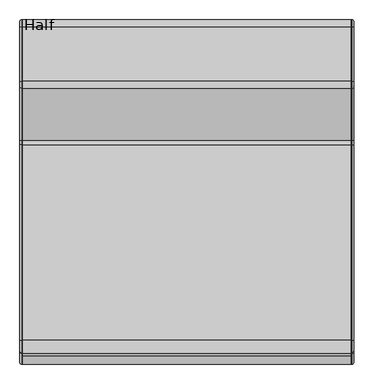
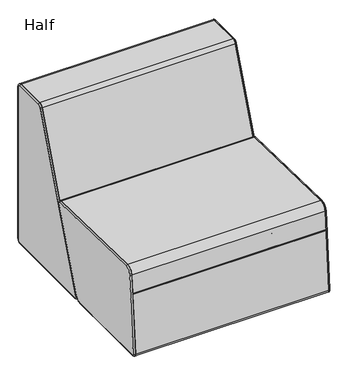
"""IFC4 building model written with IfcOpenShell, lengths in millimetres: furniture geometry, Half."""

from ifc_helpers import new_model, si_unit, point, frame, frame_2d, origin, place, context, project, spatial, polyline, circle_curve, ellipse_curve, trimmed, segment, composite_curve, outline, extrude, source, transform, mapped, element, save
from ifc_brep_helpers import plane_surface, cylinder_surface, revolved_surface, advanced_brep


def half_a15d352a(model_context):
    return source(origin(), model_context, "Body", "SolidModel", [
        advanced_brep(
        [(839.1510266, -314.9526545, 414.2158586), (839.1510266, -304.5197385, 398.7021703), (837.9447146, -304.5197385, 398.7021703), (837.9447146, -314.9526545, 414.2158586), (844.2947146, -315.0614252, 409.0733208), (844.2947146, -309.3234931, 400.5410474), (837.9447146, -809.5215301, 424.6765705), (839.1510266, -809.5215301, 424.6765705), (844.2947146, -809.6303008, 419.5340326), (837.9447146, -841.8415436, 395.4689681), (839.1510266, -841.8415436, 395.4689681), (844.2947146, -836.7142807, 395.0582348), (837.9447146, -869.3709462, 51.8141192), (839.1510266, -869.3709462, 51.8141192), (844.2947146, -864.2436833, 51.4033859), (837.9447146, -856.7115006, 38.1), (839.1510266, -856.7115006, 38.1), (844.2947146, -856.7115006, 43.2436881), (837.9447146, -464.4011038, 38.1), (839.1510266, -464.4011038, 38.1), (844.2947146, -464.4011038, 43.2436881), (837.9447146, -434.7493822, 58.4993215), (839.1510266, -434.7493822, 58.4993215), (844.2947146, -439.5531367, 60.3381987)],
        [
            (0, 1, circle_curve(frame((839.1510266, -315.1943583, 402.7884145), z_axis=(-1.0, 0.0, 0.0), x_axis=(0.0, 0.933912493810332, -0.35750168377920466)), 11.43)),
            (1, 2),
            (2, 3, circle_curve(frame((837.9447146, -315.1943583, 402.7884145), z_axis=(1.0, 0.0, 0.0), x_axis=(0.0, 0.933912493810332, -0.35750168377920466)), 11.43)),
            (3, 0),
            (0, 4, circle_curve(frame((839.1510266, -315.0614252, 409.0733208), z_axis=(0.0, 0.9997763889644172, -0.021146443418935457), x_axis=(-1.0, 0.0, 0.0)), 5.1436881)),
            (4, 5, circle_curve(frame((844.2947146, -315.1943583, 402.7884145), z_axis=(-1.0, 0.0, 0.0), x_axis=(0.0, 0.933912493810332, -0.35750168377920466)), 6.2863119)),
            (5, 1, circle_curve(frame((839.1510266, -309.3234931, 400.5410474), z_axis=(0.0, 0.35750168377920477, 0.933912493810332), x_axis=(-1.0, 0.0, 0.0)), 5.1436881)),
            (3, 6),
            (6, 7),
            (7, 0),
            (7, 8, circle_curve(frame((839.1510266, -809.6303008, 419.5340326), z_axis=(0.0, 0.9997763889644175, -0.02114644341893418), x_axis=(-1.0, 0.0, 0.0)), 5.1436881)),
            (8, 4),
            (6, 9, circle_curve(frame((837.9447146, -810.1929297, 392.9336702), z_axis=(1.0, 0.0, 0.0), x_axis=(0.0, 0.02114644341893813, 0.9997763889644172)), 31.75)),
            (9, 10),
            (10, 7, circle_curve(frame((839.1510266, -810.1929297, 392.9336702), z_axis=(-1.0, 0.0, 0.0), x_axis=(0.0, 0.02114644341893813, 0.9997763889644172)), 31.75)),
            (10, 11, circle_curve(frame((839.1510266, -836.7142807, 395.0582348), z_axis=(0.0, 0.07985190397493681, 0.9968067382555044), x_axis=(-1.0, 0.0, 0.0)), 5.1436881)),
            (11, 8, circle_curve(frame((844.2947146, -810.1929297, 392.9336702), z_axis=(-1.0, 0.0, 0.0), x_axis=(0.0, 0.02114644341893813, 0.9997763889644172)), 26.6063119)),
            (9, 12),
            (12, 13),
            (13, 10),
            (13, 14, circle_curve(frame((839.1510266, -864.2436833, 51.4033859), z_axis=(0.0, 0.07985190397492817, 0.9968067382555051), x_axis=(-1.0, 0.0, 0.0)), 5.1436881)),
            (14, 11),
            (12, 15, circle_curve(frame((837.9447146, -856.7115006, 50.8), z_axis=(1.0, 0.0, 0.0), x_axis=(0.0, -0.9968067382555038, 0.07985190397494248)), 12.7)),
            (15, 16),
            (16, 13, circle_curve(frame((839.1510266, -856.7115006, 50.8), z_axis=(-1.0, 0.0, 0.0), x_axis=(0.0, -0.9968067382555038, 0.07985190397494248)), 12.7)),
            (16, 17, circle_curve(frame((839.1510266, -856.7115006, 43.2436881), z_axis=(0.0, -0.9999999999999999, 0.0), x_axis=(-1.0, 0.0, 0.0)), 5.1436881)),
            (17, 14, circle_curve(frame((844.2947146, -856.7115006, 50.8), z_axis=(-1.0, 0.0, 0.0), x_axis=(0.0, -0.9968067382555038, 0.07985190397494248)), 7.5563119)),
            (15, 18),
            (18, 19),
            (19, 16),
            (19, 20, circle_curve(frame((839.1510266, -464.4011038, 43.2436881), z_axis=(0.0, -1.0, 0.0), x_axis=(-1.0, 0.0, 0.0)), 5.1436881)),
            (20, 17),
            (18, 21, circle_curve(frame((837.9447146, -464.4011038, 69.85), z_axis=(1.0, 0.0, 0.0), x_axis=(0.0, 0.0, -1.0)), 31.75)),
            (21, 22),
            (22, 19, circle_curve(frame((839.1510266, -464.4011038, 69.85), z_axis=(-1.0, 0.0, 0.0), x_axis=(0.0, 0.0, -1.0)), 31.75)),
            (22, 23, circle_curve(frame((839.1510266, -439.5531367, 60.3381987), z_axis=(0.0, -0.357501683779193, -0.9339124938103366), x_axis=(-1.0, 0.0, 0.0)), 5.1436881)),
            (23, 20, circle_curve(frame((844.2947146, -464.4011038, 69.85), z_axis=(-1.0, 0.0, 0.0), x_axis=(0.0, 0.0, -1.0)), 26.6063119)),
            (2, 21),
            (1, 22),
            (5, 23),
        ],
        [
            cylinder_surface(frame((837.9447146, -315.1943583, 402.7884145), z_axis=(1.0, 0.0, 0.0), x_axis=(0.0, 0.933912493810332, -0.35750168377920466)), 11.43),
            revolved_surface(trimmed(ellipse_curve(frame((839.1510266, -309.3234931, 400.5410474), z_axis=(0.0, -0.35750168377920477, -0.933912493810332), x_axis=(-1.0, 0.0, 0.0)), 5.1436881, 5.1436881), [point((839.1510266, -304.5197385, 398.7021703))], [point((844.2947146, -309.3234931, 400.5410474))], True, "CARTESIAN"), (837.9447146, -315.1943583, 402.7884145), (1.0, 0.0, 0.0)),
            plane_surface(frame((837.9447146, -314.9526545, 414.2158586), z_axis=(0.0, 0.02114644341893413, 0.9997763889644173), x_axis=(0.0, -0.9997763889644173, 0.02114644341893413))),
            cylinder_surface(frame((839.1510266, -315.0614252, 409.0733208), z_axis=(0.0, 0.9997763889644175, -0.02114644341893418), x_axis=(-1.0, 0.0, 0.0)), 5.1436881),
            cylinder_surface(frame((837.9447146, -810.1929297, 392.9336702), z_axis=(1.0, 0.0, 0.0), x_axis=(0.0, 0.02114644341893813, 0.9997763889644172)), 31.75),
            revolved_surface(trimmed(ellipse_curve(frame((839.1510266, -809.6303008, 419.5340326), z_axis=(0.0, 0.9997763889644172, -0.021146443418938222), x_axis=(-1.0, 0.0, 0.0)), 5.1436881, 5.1436881), [point((839.1510266, -809.5215301, 424.6765705))], [point((844.2947146, -809.6303008, 419.5340326))], True, "CARTESIAN"), (837.9447146, -810.1929297, 392.9336702), (1.0, 0.0, 0.0)),
            plane_surface(frame((837.9447146, -841.8415436, 395.4689681), z_axis=(0.0, -0.996806738255505, 0.07985190397492804), x_axis=(0.0, -0.07985190397492804, -0.996806738255505))),
            cylinder_surface(frame((839.1510266, -836.7142807, 395.0582348), z_axis=(0.0, 0.07985190397492817, 0.9968067382555051), x_axis=(-1.0, 0.0, 0.0)), 5.1436881),
            cylinder_surface(frame((837.9447146, -856.7115006, 50.8), z_axis=(1.0, 0.0, 0.0), x_axis=(0.0, -0.9968067382555038, 0.07985190397494248)), 12.7),
            revolved_surface(trimmed(ellipse_curve(frame((839.1510266, -864.2436833, 51.4033859), z_axis=(0.0, 0.07985190397494259, 0.9968067382555038), x_axis=(-1.0, 0.0, 0.0)), 5.1436881, 5.1436881), [point((839.1510266, -869.3709462, 51.8141192))], [point((844.2947146, -864.2436833, 51.4033859))], True, "CARTESIAN"), (837.9447146, -856.7115006, 50.8), (1.0, 0.0, 0.0)),
            plane_surface(frame((837.9447146, -856.7115006, 38.1), z_axis=(0.0, 0.0, -1.0), x_axis=(0.0, 1.0, 0.0))),
            cylinder_surface(frame((839.1510266, -856.7115006, 43.2436881), z_axis=(0.0, -1.0, 0.0), x_axis=(-1.0, 0.0, 0.0)), 5.1436881),
            cylinder_surface(frame((837.9447146, -464.4011038, 69.85), z_axis=(1.0, 0.0, 0.0), x_axis=(0.0, 0.0, -1.0)), 31.75),
            revolved_surface(trimmed(ellipse_curve(frame((839.1510266, -464.4011038, 43.2436881), z_axis=(0.0, -1.0, 0.0), x_axis=(-1.0, 0.0, 0.0)), 5.1436881, 5.1436881), [point((839.1510266, -464.4011038, 38.1))], [point((844.2947146, -464.4011038, 43.2436881))], True, "CARTESIAN"), (837.9447146, -464.4011038, 69.85), (1.0, 0.0, 0.0)),
            plane_surface(frame((837.9447146, -440.6797265, 60.7694572), z_axis=(-1.0, 0.0, 0.0), x_axis=(0.0, 0.3575016837791921, 0.9339124938103369))),
            plane_surface(frame((837.9447146, -434.7493822, 58.4993215), z_axis=(0.0, 0.9339124938103369, -0.3575016837791922), x_axis=(0.0, 0.3575016837791922, 0.9339124938103369))),
            cylinder_surface(frame((839.1510266, -439.5531367, 60.3381987), z_axis=(0.0, -0.3575016837791923, -0.9339124938103369), x_axis=(-1.0, 0.0, 0.0)), 5.1436881),
            plane_surface(frame((844.2947146, -439.5531367, 60.3381987), z_axis=(1.0, 0.0, 0.0), x_axis=(0.0, 0.3575016837791921, 0.9339124938103369))),
        ],
        [
            (0, [[1, 2, 3, 4]]),
            (1, [[-1, 5, 6, 7]]),
            (2, [[-4, 8, 9, 10]]),
            (3, [[-5, -10, 11, 12]]),
            (4, [[-9, 13, 14, 15]]),
            (5, [[-11, -15, 16, 17]]),
            (6, [[-14, 18, 19, 20]]),
            (7, [[-16, -20, 21, 22]]),
            (8, [[-19, 23, 24, 25]]),
            (9, [[-21, -25, 26, 27]]),
            (10, [[-24, 28, 29, 30]]),
            (11, [[-26, -30, 31, 32]]),
            (12, [[-29, 33, 34, 35]]),
            (13, [[-31, -35, 36, 37]]),
            (14, [[-3, 38, -33, -28, -23, -18, -13, -8]]),
            (15, [[-2, 39, -34, -38]]),
            (16, [[-7, 40, -36, -39]]),
            (17, [[-6, -12, -17, -22, -27, -32, -37, -40]]),
        ],
    ),
        advanced_brep(
        [(839.1510266, -17.018, 765.683), (839.1510266, 0.0, 748.665), (837.9447146, 0.0, 748.665), (837.9447146, -17.018, 765.683), (844.2947146, -17.018, 760.5393119), (844.2947146, -5.1436881, 748.665), (837.9447146, -155.2745791, 765.683), (839.1510266, -155.2745791, 765.683), (844.2947146, -155.2745791, 760.5393119), (837.9447146, -173.0792475, 753.4076796), (839.1510266, -173.0792475, 753.4076796), (844.2947146, -168.2718112, 751.5784492), (837.9447146, -438.7030878, 55.3164531), (839.1510266, -438.7030878, 55.3164531), (844.2947146, -433.8956515, 53.4872227), (837.9447146, -426.8333088, 38.1), (839.1510266, -426.8333088, 38.1), (844.2947146, -426.8333088, 43.2436881), (837.9447146, -19.05, 38.1), (839.1510266, -19.05, 38.1), (844.2947146, -19.05, 43.2436881), (837.9447146, 0.0, 57.15), (839.1510266, 0.0, 57.15), (844.2947146, -5.1436881, 57.15)],
        [
            (0, 1, circle_curve(frame((839.1510266, -17.018, 748.665), z_axis=(-1.0, 0.0, 0.0), x_axis=(0.0, 1.0, 0.0)), 17.018)),
            (1, 2),
            (2, 3, circle_curve(frame((837.9447146, -17.018, 748.665), z_axis=(1.0, 0.0, 0.0), x_axis=(0.0, 1.0, 0.0)), 17.018)),
            (3, 0),
            (0, 4, circle_curve(frame((839.1510266, -17.018, 760.5393119), z_axis=(0.0, 1.0, 0.0), x_axis=(-1.0, 0.0, 0.0)), 5.1436881)),
            (4, 5, circle_curve(frame((844.2947146, -17.018, 748.665), z_axis=(-1.0, 0.0, 0.0), x_axis=(0.0, 1.0, 0.0)), 11.8743119)),
            (5, 1, circle_curve(frame((839.1510266, -5.1436881, 748.665), z_axis=(0.0, 0.0, 1.0), x_axis=(-1.0, 0.0, 0.0)), 5.1436881)),
            (3, 6),
            (6, 7),
            (7, 0),
            (7, 8, circle_curve(frame((839.1510266, -155.2745791, 760.5393119), z_axis=(0.0, 1.0, 0.0), x_axis=(-1.0, 0.0, 0.0)), 5.1436881)),
            (8, 4),
            (6, 9, circle_curve(frame((837.9447146, -155.2745791, 746.633), z_axis=(1.0, 0.0, 0.0), x_axis=(0.0, 0.0, 1.0)), 19.05)),
            (9, 10),
            (10, 7, circle_curve(frame((839.1510266, -155.2745791, 746.633), z_axis=(-1.0, 0.0, 0.0), x_axis=(0.0, 0.0, 1.0)), 19.05)),
            (10, 11, circle_curve(frame((839.1510266, -168.2718112, 751.5784492), z_axis=(0.0, 0.3556262257533129, 0.9346282616936286), x_axis=(-1.0, 0.0, 0.0)), 5.1436881)),
            (11, 8, circle_curve(frame((844.2947146, -155.2745791, 746.633), z_axis=(-1.0, 0.0, 0.0), x_axis=(0.0, 0.0, 1.0)), 13.9063119)),
            (9, 12),
            (12, 13),
            (13, 10),
            (13, 14, circle_curve(frame((839.1510266, -433.8956515, 53.4872227), z_axis=(0.0, 0.3556262257533026, 0.9346282616936324), x_axis=(-1.0, 0.0, 0.0)), 5.1436881)),
            (14, 11),
            (12, 15, circle_curve(frame((837.9447146, -426.8333088, 50.8), z_axis=(1.0, 0.0, 0.0), x_axis=(0.0, -0.9346282616936246, 0.35562622575332314)), 12.7)),
            (15, 16),
            (16, 13, circle_curve(frame((839.1510266, -426.8333088, 50.8), z_axis=(-1.0, 0.0, 0.0), x_axis=(0.0, -0.9346282616936246, 0.35562622575332314)), 12.7)),
            (16, 17, circle_curve(frame((839.1510266, -426.8333088, 43.2436881), z_axis=(0.0, -1.0, 0.0), x_axis=(-1.0, 0.0, 0.0)), 5.1436881)),
            (17, 14, circle_curve(frame((844.2947146, -426.8333088, 50.8), z_axis=(-1.0, 0.0, 0.0), x_axis=(0.0, -0.9346282616936246, 0.35562622575332314)), 7.5563119)),
            (15, 18),
            (18, 19),
            (19, 16),
            (19, 20, circle_curve(frame((839.1510266, -19.05, 43.2436881), z_axis=(0.0, -1.0, 0.0), x_axis=(-1.0, 0.0, 0.0)), 5.1436881)),
            (20, 17),
            (18, 21, circle_curve(frame((837.9447146, -19.05, 57.15), z_axis=(1.0, 0.0, 0.0), x_axis=(0.0, 0.0, -1.0)), 19.05)),
            (21, 22),
            (22, 19, circle_curve(frame((839.1510266, -19.05, 57.15), z_axis=(-1.0, 0.0, 0.0), x_axis=(0.0, 0.0, -1.0)), 19.05)),
            (22, 23, circle_curve(frame((839.1510266, -5.1436881, 57.15), z_axis=(0.0, 0.0, -1.0), x_axis=(-1.0, 0.0, 0.0)), 5.1436881)),
            (23, 20, circle_curve(frame((844.2947146, -19.05, 57.15), z_axis=(-1.0, 0.0, 0.0), x_axis=(0.0, 0.0, -1.0)), 13.9063119)),
            (2, 21),
            (1, 22),
            (5, 23),
        ],
        [
            cylinder_surface(frame((837.9447146, -17.018, 748.665), z_axis=(1.0, 0.0, 0.0), x_axis=(0.0, 1.0, 0.0)), 17.018),
            revolved_surface(trimmed(ellipse_curve(frame((839.1510266, -5.1436881, 748.665), z_axis=(0.0, 0.0, -1.0), x_axis=(-1.0, 0.0, 0.0)), 5.1436881, 5.1436881), [point((839.1510266, 0.0, 748.665))], [point((844.2947146, -5.1436881, 748.665))], True, "CARTESIAN"), (837.9447146, -17.018, 748.665), (1.0, 0.0, 0.0)),
            plane_surface(frame((837.9447146, -17.018, 765.683), z_axis=(0.0, 0.0, 1.0), x_axis=(0.0, -1.0, 0.0))),
            cylinder_surface(frame((839.1510266, -17.018, 760.5393119), z_axis=(0.0, 1.0, 0.0), x_axis=(-1.0, 0.0, 0.0)), 5.1436881),
            cylinder_surface(frame((837.9447146, -155.2745791, 746.633), z_axis=(1.0, 0.0, 0.0), x_axis=(0.0, 0.0, 1.0)), 19.05),
            revolved_surface(trimmed(ellipse_curve(frame((839.1510266, -155.2745791, 760.5393119), z_axis=(0.0, 1.0, 0.0), x_axis=(-1.0, 0.0, 0.0)), 5.1436881, 5.1436881), [point((839.1510266, -155.2745791, 765.683))], [point((844.2947146, -155.2745791, 760.5393119))], True, "CARTESIAN"), (837.9447146, -155.2745791, 746.633), (1.0, 0.0, 0.0)),
            plane_surface(frame((837.9447146, -173.0792475, 753.4076796), z_axis=(0.0, -0.9346282616936324, 0.3556262257533027), x_axis=(0.0, -0.3556262257533027, -0.9346282616936324))),
            cylinder_surface(frame((839.1510266, -168.2718112, 751.5784492), z_axis=(0.0, 0.3556262257533026, 0.9346282616936324), x_axis=(-1.0, 0.0, 0.0)), 5.1436881),
            cylinder_surface(frame((837.9447146, -426.8333088, 50.8), z_axis=(1.0, 0.0, 0.0), x_axis=(0.0, -0.9346282616936246, 0.35562622575332314)), 12.7),
            revolved_surface(trimmed(ellipse_curve(frame((839.1510266, -433.8956515, 53.4872227), z_axis=(0.0, 0.35562622575332276, 0.9346282616936247), x_axis=(-1.0, 0.0, 0.0)), 5.1436881, 5.1436881), [point((839.1510266, -438.7030878, 55.3164531))], [point((844.2947146, -433.8956515, 53.4872227))], True, "CARTESIAN"), (837.9447146, -426.8333088, 50.8), (1.0, 0.0, 0.0)),
            plane_surface(frame((837.9447146, -426.8333088, 38.1), z_axis=(0.0, 0.0, -1.0), x_axis=(0.0, 1.0, 0.0))),
            cylinder_surface(frame((839.1510266, -426.8333088, 43.2436881), z_axis=(0.0, -1.0, 0.0), x_axis=(-1.0, 0.0, 0.0)), 5.1436881),
            cylinder_surface(frame((837.9447146, -19.05, 57.15), z_axis=(1.0, 0.0, 0.0), x_axis=(0.0, 0.0, -1.0)), 19.05),
            revolved_surface(trimmed(ellipse_curve(frame((839.1510266, -19.05, 43.2436881), z_axis=(0.0, -1.0, 0.0), x_axis=(-1.0, 0.0, 0.0)), 5.1436881, 5.1436881), [point((839.1510266, -19.05, 38.1))], [point((844.2947146, -19.05, 43.2436881))], True, "CARTESIAN"), (837.9447146, -19.05, 57.15), (1.0, 0.0, 0.0)),
            plane_surface(frame((837.9447146, -6.35, 57.15), z_axis=(-1.0, 0.0, 0.0), x_axis=(0.0, 0.0, 1.0))),
            plane_surface(frame((837.9447146, 0.0, 57.15), z_axis=(0.0, 1.0, 0.0), x_axis=(0.0, 0.0, 1.0))),
            cylinder_surface(frame((839.1510266, -5.1436881, 57.15), z_axis=(0.0, 0.0, -1.0), x_axis=(-1.0, 0.0, 0.0)), 5.1436881),
            plane_surface(frame((844.2947146, -5.1436881, 57.15), z_axis=(1.0, 0.0, 0.0), x_axis=(0.0, 0.0, 1.0))),
        ],
        [
            (0, [[1, 2, 3, 4]]),
            (1, [[-1, 5, 6, 7]]),
            (2, [[-4, 8, 9, 10]]),
            (3, [[-5, -10, 11, 12]]),
            (4, [[-9, 13, 14, 15]]),
            (5, [[-11, -15, 16, 17]]),
            (6, [[-14, 18, 19, 20]]),
            (7, [[-16, -20, 21, 22]]),
            (8, [[-19, 23, 24, 25]]),
            (9, [[-21, -25, 26, 27]]),
            (10, [[-24, 28, 29, 30]]),
            (11, [[-26, -30, 31, 32]]),
            (12, [[-29, 33, 34, 35]]),
            (13, [[-31, -35, 36, 37]]),
            (14, [[-3, 38, -33, -28, -23, -18, -13, -8]]),
            (15, [[-2, 39, -34, -38]]),
            (16, [[-7, 40, -36, -39]]),
            (17, [[-6, -12, -17, -22, -27, -32, -37, -40]]),
        ],
    ),
        advanced_brep(
        [(-0.254, -309.3234931, 400.5410474), (-0.254, -439.5531367, 60.3381987), (-0.254, -464.4011038, 43.2436881), (-0.254, -856.7115006, 43.2436881), (-0.254, -864.2436833, 51.4033859), (-0.254, -836.7142807, 395.0582348), (-0.254, -809.6303008, 419.5340326), (-0.254, -315.0614252, 409.0733208), (6.096, -434.7493822, 58.4993215), (6.096, -304.5197385, 398.7021703), (6.096, -314.9526545, 414.2158586), (6.096, -809.5215301, 424.6765705), (6.096, -841.8415436, 395.4689681), (6.096, -869.3709462, 51.8141192), (6.096, -856.7115006, 38.1), (6.096, -464.4011038, 38.1), (4.8896881, -434.7493822, 58.4993215), (4.8896881, -304.5197385, 398.7021703), (4.8896881, -314.9526545, 414.2158586), (4.8896881, -809.5215301, 424.6765705), (4.8896881, -856.7115006, 38.1), (4.8896881, -464.4011038, 38.1), (4.8896881, -841.8415436, 395.4689681), (4.8896881, -869.3709462, 51.8141192)],
        [
            (0, 1),
            (1, 2, circle_curve(frame((-0.254, -464.4011038, 69.85), z_axis=(-1.0, 0.0, 0.0), x_axis=(0.0, 0.0, -1.0)), 26.6063119)),
            (2, 3),
            (3, 4, circle_curve(frame((-0.254, -856.7115006, 50.8), z_axis=(-1.0, 0.0, 0.0), x_axis=(0.0, -0.9968067382555047, 0.07985190397493185)), 7.5563119)),
            (4, 5),
            (5, 6, circle_curve(frame((-0.254, -810.1929297, 392.9336702), z_axis=(-1.0, 0.0, 0.0), x_axis=(0.0, 0.02114644341893813, 0.9997763889644172)), 26.6063119)),
            (6, 7),
            (7, 0, circle_curve(frame((-0.254, -315.1943583, 402.7884145), z_axis=(-1.0, 0.0, 0.0), x_axis=(0.0, 0.933912493810332, -0.35750168377920466)), 6.2863119)),
            (8, 9),
            (9, 10, circle_curve(frame((6.096, -315.1943583, 402.7884145), z_axis=(1.0, 0.0, 0.0), x_axis=(0.0, 0.933912493810332, -0.35750168377920466)), 11.43)),
            (10, 11),
            (11, 12, circle_curve(frame((6.096, -810.1929297, 392.9336702), z_axis=(1.0, 0.0, 0.0), x_axis=(0.0, 0.02114644341893813, 0.9997763889644172)), 31.75)),
            (12, 13),
            (13, 14, circle_curve(frame((6.096, -856.7115006, 50.8), z_axis=(1.0, 0.0, 0.0), x_axis=(0.0, -0.9968067382555047, 0.07985190397493185)), 12.7)),
            (14, 15),
            (15, 8, circle_curve(frame((6.096, -464.4011038, 69.85), z_axis=(1.0, 0.0, 0.0), x_axis=(0.0, 0.0, -1.0)), 31.75)),
            (16, 1, circle_curve(frame((4.8896881, -439.5531367, 60.3381987), z_axis=(0.0, 0.3575016837791923, 0.9339124938103369), x_axis=(1.0, 0.0, 0.0)), 5.1436881)),
            (0, 17, circle_curve(frame((4.8896881, -309.3234931, 400.5410474), z_axis=(0.0, -0.3575016837791923, -0.9339124938103369), x_axis=(1.0, 0.0, 0.0)), 5.1436881)),
            (17, 16),
            (17, 9),
            (8, 16),
            (18, 7, circle_curve(frame((4.8896881, -315.0614252, 409.0733208), z_axis=(0.0, -0.9997763889644173, 0.02114644341893418), x_axis=(1.0, 0.0, 0.0)), 5.1436881)),
            (6, 19, circle_curve(frame((4.8896881, -809.6303008, 419.5340326), z_axis=(0.0, 0.9997763889644173, -0.02114644341893418), x_axis=(1.0, 0.0, 0.0)), 5.1436881)),
            (19, 18),
            (19, 11),
            (10, 18),
            (20, 3, circle_curve(frame((4.8896881, -856.7115006, 43.2436881), z_axis=(0.0, 1.0, 0.0), x_axis=(1.0, 0.0, 0.0)), 5.1436881)),
            (2, 21, circle_curve(frame((4.8896881, -464.4011038, 43.2436881), z_axis=(0.0, -1.0, 0.0), x_axis=(1.0, 0.0, 0.0)), 5.1436881)),
            (21, 20),
            (21, 15),
            (14, 20),
            (16, 21, circle_curve(frame((4.8896881, -464.4011038, 69.85), z_axis=(-1.0, 0.0, 0.0), x_axis=(0.0, 0.0, -1.0)), 31.75)),
            (18, 17, circle_curve(frame((4.8896881, -315.1943583, 402.7884145), z_axis=(-1.0, 0.0, 0.0), x_axis=(0.0, 0.933912493810332, -0.35750168377920466)), 11.43)),
            (5, 22, circle_curve(frame((4.8896881, -836.7142807, 395.0582348), z_axis=(0.0, 0.07985190397493835, 0.9968067382555041), x_axis=(1.0, 0.0, 0.0)), 5.1436881)),
            (22, 19, circle_curve(frame((4.8896881, -810.1929297, 392.9336702), z_axis=(-1.0, 0.0, 0.0), x_axis=(0.0, 0.02114644341893813, 0.9997763889644172)), 31.75)),
            (22, 12),
            (4, 23, circle_curve(frame((4.8896881, -864.2436833, 51.4033859), z_axis=(0.0, 0.07985190397492815, 0.996806738255505), x_axis=(1.0, 0.0, 0.0)), 5.1436881)),
            (23, 22),
            (23, 13),
            (20, 23, circle_curve(frame((4.8896881, -856.7115006, 50.8), z_axis=(-1.0, 0.0, 0.0), x_axis=(0.0, -0.9968067382555047, 0.07985190397493185)), 12.7)),
        ],
        [
            plane_surface(frame((-0.254, -315.0869344, 407.8672786), z_axis=(-1.0, 0.0, 0.0), x_axis=(0.0, 0.9997763889644173, -0.021146443418933708))),
            plane_surface(frame((6.096, -315.0869344, 407.8672786), z_axis=(1.0, 0.0, 0.0), x_axis=(0.0, -0.9997763889644173, 0.021146443418933708))),
            cylinder_surface(frame((4.8896881, -439.5531367, 60.3381987), z_axis=(0.0, -0.3575016837791923, -0.9339124938103369), x_axis=(1.0, 0.0, 0.0)), 5.1436881),
            plane_surface(frame((4.8896881, -434.7493822, 58.4993215), z_axis=(0.0, 0.9339124938103369, -0.3575016837791922), x_axis=(0.0, 0.3575016837791922, 0.9339124938103369))),
            cylinder_surface(frame((4.8896881, -315.0614252, 409.0733208), z_axis=(0.0, 0.9997763889644173, -0.02114644341893418), x_axis=(1.0, 0.0, 0.0)), 5.1436881),
            plane_surface(frame((4.8896881, -314.9526545, 414.2158586), z_axis=(0.0, 0.02114644341893413, 0.9997763889644173), x_axis=(0.0, -0.9997763889644173, 0.02114644341893413))),
            cylinder_surface(frame((4.8896881, -856.7115006, 43.2436881), z_axis=(0.0, -1.0, 0.0), x_axis=(1.0, 0.0, 0.0)), 5.1436881),
            plane_surface(frame((4.8896881, -856.7115006, 38.1), z_axis=(0.0, 0.0, -1.0), x_axis=(0.0, 1.0, 0.0))),
            revolved_surface(trimmed(ellipse_curve(frame((4.8896881, -464.4011038, 43.2436881), z_axis=(0.0, -1.0, 0.0), x_axis=(1.0, 0.0, 0.0)), 5.1436881, 5.1436881), [point((-0.254, -464.4011038, 43.2436881))], [point((4.8896881, -464.4011038, 38.1))], True, "CARTESIAN"), (-0.254, -464.4011038, 69.85), (1.0, 0.0, 0.0)),
            cylinder_surface(frame((-0.254, -464.4011038, 69.85), z_axis=(1.0, 0.0, 0.0), x_axis=(0.0, 0.0, -1.0)), 31.75),
            revolved_surface(trimmed(ellipse_curve(frame((4.8896881, -309.3234931, 400.5410474), z_axis=(0.0, -0.35750168377920477, -0.933912493810332), x_axis=(1.0, 0.0, 0.0)), 5.1436881, 5.1436881), [point((-0.254, -309.3234931, 400.5410474))], [point((4.8896881, -304.5197385, 398.7021703))], True, "CARTESIAN"), (-0.254, -315.1943583, 402.7884145), (1.0, 0.0, 0.0)),
            cylinder_surface(frame((-0.254, -315.1943583, 402.7884145), z_axis=(1.0, 0.0, 0.0), x_axis=(0.0, 0.933912493810332, -0.35750168377920466)), 11.43),
            revolved_surface(trimmed(ellipse_curve(frame((4.8896881, -809.6303008, 419.5340326), z_axis=(0.0, 0.9997763889644172, -0.021146443418938222), x_axis=(1.0, 0.0, 0.0)), 5.1436881, 5.1436881), [point((-0.254, -809.6303008, 419.5340326))], [point((4.8896881, -809.5215301, 424.6765705))], True, "CARTESIAN"), (-0.254, -810.1929297, 392.9336702), (1.0, 0.0, 0.0)),
            cylinder_surface(frame((-0.254, -810.1929297, 392.9336702), z_axis=(1.0, 0.0, 0.0), x_axis=(0.0, 0.02114644341893813, 0.9997763889644172)), 31.75),
            cylinder_surface(frame((4.8896881, -836.7142807, 395.0582348), z_axis=(0.0, 0.07985190397492815, 0.996806738255505), x_axis=(1.0, 0.0, 0.0)), 5.1436881),
            plane_surface(frame((4.8896881, -841.8415436, 395.4689681), z_axis=(0.0, -0.9968067382555051, 0.07985190397492803), x_axis=(0.0, -0.07985190397492803, -0.9968067382555051))),
            revolved_surface(trimmed(ellipse_curve(frame((4.8896881, -864.2436833, 51.4033859), z_axis=(0.0, 0.07985190397493194, 0.9968067382555047), x_axis=(1.0, 0.0, 0.0)), 5.1436881, 5.1436881), [point((-0.254, -864.2436833, 51.4033859))], [point((4.8896881, -869.3709462, 51.8141192))], True, "CARTESIAN"), (-0.254, -856.7115006, 50.8), (1.0, 0.0, 0.0)),
            cylinder_surface(frame((-0.254, -856.7115006, 50.8), z_axis=(1.0, 0.0, 0.0), x_axis=(0.0, -0.9968067382555047, 0.07985190397493185)), 12.7),
        ],
        [
            (0, [[1, 2, 3, 4, 5, 6, 7, 8]]),
            (1, [[9, 10, 11, 12, 13, 14, 15, 16]]),
            (2, [[17, -1, 18, 19]]),
            (3, [[-19, 20, -9, 21]]),
            (4, [[22, -7, 23, 24]]),
            (5, [[-24, 25, -11, 26]]),
            (6, [[27, -3, 28, 29]]),
            (7, [[-29, 30, -15, 31]]),
            (8, [[-17, 32, -28, -2]]),
            (9, [[-21, -16, -30, -32]]),
            (10, [[-18, -8, -22, 33]]),
            (11, [[-20, -33, -26, -10]]),
            (12, [[-23, -6, 34, 35]]),
            (13, [[-25, -35, 36, -12]]),
            (14, [[-34, -5, 37, 38]]),
            (15, [[-36, -38, 39, -13]]),
            (16, [[-27, 40, -37, -4]]),
            (17, [[-31, -14, -39, -40]]),
        ],
    ),
        advanced_brep(
        [(4.8896881, -173.0792475, 753.4076796), (-0.254, -168.2718112, 751.5784492), (-0.254, -433.8956515, 53.4872227), (4.8896881, -438.7030878, 55.3164531), (6.096, -438.7030878, 55.3164531), (6.096, -173.0792475, 753.4076796), (4.8896881, -426.8333088, 38.1), (-0.254, -426.8333088, 43.2436881), (-0.254, -19.05, 43.2436881), (4.8896881, -19.05, 38.1), (6.096, -19.05, 38.1), (6.096, -426.8333088, 38.1), (-0.254, -5.1436881, 57.15), (4.8896881, 0.0, 57.15), (6.096, 0.0, 57.15), (-0.254, -5.1436881, 748.665), (4.8896881, 0.0, 748.665), (6.096, 0.0, 748.665), (-0.254, -17.018, 760.5393119), (4.8896881, -17.018, 765.683), (6.096, -17.018, 765.683), (-0.254, -155.2745791, 760.5393119), (4.8896881, -155.2745791, 765.683), (6.096, -155.2745791, 765.683)],
        [
            (0, 1, circle_curve(frame((4.8896881, -168.2718112, 751.5784492), z_axis=(0.0, -0.3556262257533027, -0.9346282616936323), x_axis=(1.0, 0.0, 0.0)), 5.1436881)),
            (1, 2),
            (2, 3, circle_curve(frame((4.8896881, -433.8956515, 53.4872227), z_axis=(0.0, 0.3556262257533027, 0.9346282616936323), x_axis=(1.0, 0.0, 0.0)), 5.1436881)),
            (3, 0),
            (3, 4),
            (4, 5),
            (5, 0),
            (6, 7, circle_curve(frame((4.8896881, -426.8333088, 43.2436881), z_axis=(0.0, 1.0, 0.0), x_axis=(1.0, 0.0, 0.0)), 5.1436881)),
            (7, 8),
            (8, 9, circle_curve(frame((4.8896881, -19.05, 43.2436881), z_axis=(0.0, -1.0, 0.0), x_axis=(1.0, 0.0, 0.0)), 5.1436881)),
            (9, 6),
            (9, 10),
            (10, 11),
            (11, 6),
            (8, 12, circle_curve(frame((-0.254, -19.05, 57.15), z_axis=(1.0, 0.0, 0.0), x_axis=(0.0, 0.0, -1.0)), 13.9063119)),
            (12, 13, circle_curve(frame((4.8896881, -5.1436881, 57.15), z_axis=(0.0, 0.0, -1.0), x_axis=(1.0, 0.0, 0.0)), 5.1436881)),
            (13, 9, circle_curve(frame((4.8896881, -19.05, 57.15), z_axis=(-1.0, 0.0, 0.0), x_axis=(0.0, 0.0, -1.0)), 19.05)),
            (13, 14),
            (14, 10, circle_curve(frame((6.096, -19.05, 57.15), z_axis=(-1.0, 0.0, 0.0), x_axis=(0.0, 0.0, -1.0)), 19.05)),
            (12, 15),
            (15, 16, circle_curve(frame((4.8896881, -5.1436881, 748.665), z_axis=(0.0, 0.0, -1.0), x_axis=(1.0, 0.0, 0.0)), 5.1436881)),
            (16, 13),
            (16, 17),
            (17, 14),
            (15, 18, circle_curve(frame((-0.254, -17.018, 748.665), z_axis=(1.0, 0.0, 0.0), x_axis=(0.0, 1.0, 0.0)), 11.8743119)),
            (18, 19, circle_curve(frame((4.8896881, -17.018, 760.5393119), z_axis=(0.0, 1.0, 0.0), x_axis=(1.0, 0.0, 0.0)), 5.1436881)),
            (19, 16, circle_curve(frame((4.8896881, -17.018, 748.665), z_axis=(-1.0, 0.0, 0.0), x_axis=(0.0, 1.0, 0.0)), 17.018)),
            (19, 20),
            (20, 17, circle_curve(frame((6.096, -17.018, 748.665), z_axis=(-1.0, 0.0, 0.0), x_axis=(0.0, 1.0, 0.0)), 17.018)),
            (18, 21),
            (21, 22, circle_curve(frame((4.8896881, -155.2745791, 760.5393119), z_axis=(0.0, 1.0, 0.0), x_axis=(1.0, 0.0, 0.0)), 5.1436881)),
            (22, 19),
            (22, 23),
            (23, 20),
            (0, 22, circle_curve(frame((4.8896881, -155.2745791, 746.633), z_axis=(-1.0, 0.0, 0.0), x_axis=(0.0, 0.0, 1.0)), 19.05)),
            (21, 1, circle_curve(frame((-0.254, -155.2745791, 746.633), z_axis=(1.0, 0.0, 0.0), x_axis=(0.0, 0.0, 1.0)), 13.9063119)),
            (5, 23, circle_curve(frame((6.096, -155.2745791, 746.633), z_axis=(-1.0, 0.0, 0.0), x_axis=(0.0, 0.0, 1.0)), 19.05)),
            (7, 2, circle_curve(frame((-0.254, -426.8333088, 50.8), z_axis=(-1.0, 0.0, 0.0), x_axis=(0.0, -0.9346282616936317, 0.35562622575330444)), 7.5563119)),
            (6, 3, circle_curve(frame((4.8896881, -426.8333088, 50.8), z_axis=(-1.0, 0.0, 0.0), x_axis=(0.0, -0.9346282616936317, 0.35562622575330444)), 12.7)),
            (11, 4, circle_curve(frame((6.096, -426.8333088, 50.8), z_axis=(-1.0, 0.0, 0.0), x_axis=(0.0, -0.9346282616936317, 0.35562622575330444)), 12.7)),
        ],
        [
            cylinder_surface(frame((4.8896881, -168.2718112, 751.5784492), z_axis=(0.0, 0.3556262257533027, 0.9346282616936323), x_axis=(1.0, 0.0, 0.0)), 5.1436881),
            plane_surface(frame((4.8896881, -173.0792475, 753.4076796), z_axis=(0.0, -0.9346282616936324, 0.35562622575330266), x_axis=(0.0, -0.35562622575330266, -0.9346282616936324))),
            cylinder_surface(frame((4.8896881, -426.8333088, 43.2436881), z_axis=(0.0, -1.0, 0.0), x_axis=(1.0, 0.0, 0.0)), 5.1436881),
            plane_surface(frame((4.8896881, -426.8333088, 38.1), z_axis=(0.0, 0.0, -1.0), x_axis=(0.0, 1.0, 0.0))),
            revolved_surface(trimmed(ellipse_curve(frame((4.8896881, -19.05, 43.2436881), z_axis=(0.0, -1.0, 0.0), x_axis=(1.0, 0.0, 0.0)), 5.1436881, 5.1436881), [point((-0.254, -19.05, 43.2436881))], [point((4.8896881, -19.05, 38.1))], True, "CARTESIAN"), (-0.254, -19.05, 57.15), (1.0, 0.0, 0.0)),
            cylinder_surface(frame((-0.254, -19.05, 57.15), z_axis=(1.0, 0.0, 0.0), x_axis=(0.0, 0.0, -1.0)), 19.05),
            cylinder_surface(frame((4.8896881, -5.1436881, 57.15), z_axis=(0.0, 0.0, -1.0), x_axis=(1.0, 0.0, 0.0)), 5.1436881),
            plane_surface(frame((4.8896881, 0.0, 57.15), z_axis=(0.0, 1.0, 0.0), x_axis=(0.0, 0.0, 1.0))),
            revolved_surface(trimmed(ellipse_curve(frame((4.8896881, -5.1436881, 748.665), z_axis=(0.0, 0.0, -1.0), x_axis=(1.0, 0.0, 0.0)), 5.1436881, 5.1436881), [point((-0.254, -5.1436881, 748.665))], [point((4.8896881, 0.0, 748.665))], True, "CARTESIAN"), (-0.254, -17.018, 748.665), (1.0, 0.0, 0.0)),
            cylinder_surface(frame((-0.254, -17.018, 748.665), z_axis=(1.0, 0.0, 0.0), x_axis=(0.0, 1.0, 0.0)), 17.018),
            cylinder_surface(frame((4.8896881, -17.018, 760.5393119), z_axis=(0.0, 1.0, 0.0), x_axis=(1.0, 0.0, 0.0)), 5.1436881),
            plane_surface(frame((4.8896881, -17.018, 765.683), z_axis=(0.0, 0.0, 1.0), x_axis=(0.0, -1.0, 0.0))),
            revolved_surface(trimmed(ellipse_curve(frame((4.8896881, -155.2745791, 760.5393119), z_axis=(0.0, 1.0, 0.0), x_axis=(1.0, 0.0, 0.0)), 5.1436881, 5.1436881), [point((-0.254, -155.2745791, 760.5393119))], [point((4.8896881, -155.2745791, 765.683))], True, "CARTESIAN"), (-0.254, -155.2745791, 746.633), (1.0, 0.0, 0.0)),
            cylinder_surface(frame((-0.254, -155.2745791, 746.633), z_axis=(1.0, 0.0, 0.0), x_axis=(0.0, 0.0, 1.0)), 19.05),
            plane_surface(frame((-0.254, -426.8333088, 50.8), z_axis=(-1.0, 0.0, 0.0), x_axis=(0.0, -0.9346282616936318, 0.3556262257533045))),
            revolved_surface(trimmed(ellipse_curve(frame((4.8896881, -433.8956515, 53.4872227), z_axis=(0.0, 0.35562622575330444, 0.9346282616936317), x_axis=(1.0, 0.0, 0.0)), 5.1436881, 5.1436881), [point((-0.254, -433.8956515, 53.4872227))], [point((4.8896881, -438.7030878, 55.3164531))], True, "CARTESIAN"), (-0.254, -426.8333088, 50.8), (1.0, 0.0, 0.0)),
            cylinder_surface(frame((-0.254, -426.8333088, 50.8), z_axis=(1.0, 0.0, 0.0), x_axis=(0.0, -0.9346282616936317, 0.35562622575330444)), 12.7),
            plane_surface(frame((6.096, -426.8333088, 50.8), z_axis=(1.0, 0.0, 0.0), x_axis=(0.0, -0.9346282616936318, 0.3556262257533045))),
        ],
        [
            (0, [[1, 2, 3, 4]]),
            (1, [[-4, 5, 6, 7]]),
            (2, [[8, 9, 10, 11]]),
            (3, [[-11, 12, 13, 14]]),
            (4, [[-10, 15, 16, 17]]),
            (5, [[-12, -17, 18, 19]]),
            (6, [[-16, 20, 21, 22]]),
            (7, [[-18, -22, 23, 24]]),
            (8, [[-21, 25, 26, 27]]),
            (9, [[-23, -27, 28, 29]]),
            (10, [[-26, 30, 31, 32]]),
            (11, [[-28, -32, 33, 34]]),
            (12, [[-1, 35, -31, 36]]),
            (13, [[-7, 37, -33, -35]]),
            (14, [[-2, -36, -30, -25, -20, -15, -9, 38]]),
            (15, [[-3, -38, -8, 39]]),
            (16, [[-5, -39, -14, 40]]),
            (17, [[-6, -40, -13, -19, -24, -29, -34, -37]]),
        ],
    ),
        advanced_brep(
        [(731.0078974, -756.8523536, 67.6126123), (740.4451943, -756.8523536, 67.6126123), (740.4451943, -756.8523536, 43.0000401), (731.0078974, -756.8523536, 43.0000401), (762.4471507, -756.8523536, 43.0000401), (709.005941, -756.8523536, 43.0000401), (759.7977832, -756.8523536, 21.422673), (711.6553086, -756.8523536, 21.422673), (752.6840461, -756.8523536, 0.0), (718.7690456, -756.8523536, 0.0), (735.7265459, -756.8523536, 0.0), (735.7265459, -756.8523536, 67.6126123)],
        [
            (0, 1, circle_curve(frame((735.7265459, -756.8523536, 67.6126123), z_axis=(0.0, 0.0, -1.0), x_axis=(1.0, 0.0, 0.0)), 4.7186484)),
            (1, 2),
            (2, 3, circle_curve(frame((735.7265459, -756.8523536, 43.0000401), z_axis=(0.0, 0.0, 1.0), x_axis=(1.0, 0.0, 0.0)), 4.7186484)),
            (3, 0),
            (1, 0, circle_curve(frame((735.7265459, -756.8523536, 67.6126123), z_axis=(0.0, 0.0, -1.0), x_axis=(1.0, 0.0, 0.0)), 4.7186484)),
            (3, 2, circle_curve(frame((735.7265459, -756.8523536, 43.0000401), z_axis=(0.0, 0.0, 1.0), x_axis=(1.0, 0.0, 0.0)), 4.7186484)),
            (2, 4),
            (4, 5, circle_curve(frame((735.7265459, -756.8523536, 43.0000401), z_axis=(0.0, 0.0, 1.0), x_axis=(1.0, 0.0, 0.0)), 26.7206048)),
            (5, 3),
            (5, 4, circle_curve(frame((735.7265459, -756.8523536, 43.0000401), z_axis=(0.0, 0.0, 1.0), x_axis=(1.0, 0.0, 0.0)), 26.7206048)),
            (4, 6),
            (6, 7, circle_curve(frame((735.7265459, -756.8523536, 21.422673), z_axis=(0.0, 0.0, 1.0), x_axis=(1.0, 0.0, 0.0)), 24.0712373)),
            (7, 5),
            (7, 6, circle_curve(frame((735.7265459, -756.8523536, 21.422673), z_axis=(0.0, 0.0, 1.0), x_axis=(1.0, 0.0, 0.0)), 24.0712373)),
            (6, 8),
            (8, 9, circle_curve(frame((735.7265459, -756.8523536, 0.0), z_axis=(0.0, 0.0, 1.0), x_axis=(1.0, 0.0, 0.0)), 16.9575003)),
            (9, 7),
            (9, 8, circle_curve(frame((735.7265459, -756.8523536, 0.0), z_axis=(0.0, 0.0, 1.0), x_axis=(1.0, 0.0, 0.0)), 16.9575003)),
            (8, 10),
            (10, 9),
            (11, 1),
            (0, 11),
        ],
        [
            cylinder_surface(frame((735.7265459, -756.8523536, 67.6126123), z_axis=(0.0, 0.0, 1.0), x_axis=(1.0, 0.0, 0.0)), 4.7186484),
            plane_surface(frame((735.7265459, -756.8523536, 43.0000401), z_axis=(0.0, 0.0, 1.0), x_axis=(1.0, 0.0, 0.0))),
            revolved_surface(polyline([(759.7977832, -756.8523536, 21.422673), (762.4471507, -756.8523536, 43.0000401)]), (735.7265459, -756.8523536, 67.6126123), (0.0, 0.0, 1.0)),
            revolved_surface(polyline([(752.6840461, -756.8523536, 0.0), (759.7977832, -756.8523536, 21.422673)]), (735.7265459, -756.8523536, 67.6126123), (0.0, 0.0, 1.0)),
            plane_surface(frame((735.7265459, -756.8523536, 0.0), z_axis=(0.0, 0.0, -1.0), x_axis=(1.0, 0.0, 0.0))),
            plane_surface(frame((735.7265459, -756.8523536, 67.6126123), z_axis=(0.0, 0.0, 1.0), x_axis=(1.0, 0.0, 0.0))),
        ],
        [
            (0, [[1, 2, 3, 4]]),
            (0, [[5, -4, 6, -2]]),
            (1, [[-3, 7, 8, 9]]),
            (1, [[-6, -9, 10, -7]]),
            (2, [[-8, 11, 12, 13]]),
            (2, [[-10, -13, 14, -11]]),
            (3, [[-12, 15, 16, 17]]),
            (3, [[-14, -17, 18, -15]]),
            (4, [[-16, 19, 20]]),
            (4, [[-18, -20, -19]]),
            (5, [[21, -1, 22]]),
            (5, [[-22, -5, -21]]),
        ],
    ),
        advanced_brep(
        [(734.1828974, -115.2637734, 67.6126123), (743.6201943, -115.2637734, 67.6126123), (743.6201943, -115.2637734, 43.0000401), (734.1828974, -115.2637734, 43.0000401), (765.6221507, -115.2637734, 43.0000401), (712.180941, -115.2637734, 43.0000401), (762.9727832, -115.2637734, 21.422673), (714.8303086, -115.2637734, 21.422673), (755.8590461, -115.2637734, 0.0), (721.9440456, -115.2637734, 0.0), (738.9015459, -115.2637734, 0.0), (738.9015459, -115.2637734, 67.6126123)],
        [
            (0, 1, circle_curve(frame((738.9015459, -115.2637734, 67.6126123), z_axis=(0.0, 0.0, -1.0), x_axis=(1.0, 0.0, 0.0)), 4.7186484)),
            (1, 2),
            (2, 3, circle_curve(frame((738.9015459, -115.2637734, 43.0000401), z_axis=(0.0, 0.0, 1.0), x_axis=(1.0, 0.0, 0.0)), 4.7186484)),
            (3, 0),
            (1, 0, circle_curve(frame((738.9015459, -115.2637734, 67.6126123), z_axis=(0.0, 0.0, -1.0), x_axis=(1.0, 0.0, 0.0)), 4.7186484)),
            (3, 2, circle_curve(frame((738.9015459, -115.2637734, 43.0000401), z_axis=(0.0, 0.0, 1.0), x_axis=(1.0, 0.0, 0.0)), 4.7186484)),
            (2, 4),
            (4, 5, circle_curve(frame((738.9015459, -115.2637734, 43.0000401), z_axis=(0.0, 0.0, 1.0), x_axis=(1.0, 0.0, 0.0)), 26.7206048)),
            (5, 3),
            (5, 4, circle_curve(frame((738.9015459, -115.2637734, 43.0000401), z_axis=(0.0, 0.0, 1.0), x_axis=(1.0, 0.0, 0.0)), 26.7206048)),
            (4, 6),
            (6, 7, circle_curve(frame((738.9015459, -115.2637734, 21.422673), z_axis=(0.0, 0.0, 1.0), x_axis=(1.0, 0.0, 0.0)), 24.0712373)),
            (7, 5),
            (7, 6, circle_curve(frame((738.9015459, -115.2637734, 21.422673), z_axis=(0.0, 0.0, 1.0), x_axis=(1.0, 0.0, 0.0)), 24.0712373)),
            (6, 8),
            (8, 9, circle_curve(frame((738.9015459, -115.2637734, 0.0), z_axis=(0.0, 0.0, 1.0), x_axis=(1.0, 0.0, 0.0)), 16.9575003)),
            (9, 7),
            (9, 8, circle_curve(frame((738.9015459, -115.2637734, 0.0), z_axis=(0.0, 0.0, 1.0), x_axis=(1.0, 0.0, 0.0)), 16.9575003)),
            (8, 10),
            (10, 9),
            (11, 1),
            (0, 11),
        ],
        [
            cylinder_surface(frame((738.9015459, -115.2637734, 67.6126123), z_axis=(0.0, 0.0, 1.0), x_axis=(1.0, 0.0, 0.0)), 4.7186484),
            plane_surface(frame((738.9015459, -115.2637734, 43.0000401), z_axis=(0.0, 0.0, 1.0), x_axis=(1.0, 0.0, 0.0))),
            revolved_surface(polyline([(762.9727832, -115.2637734, 21.422673), (765.6221507, -115.2637734, 43.0000401)]), (738.9015459, -115.2637734, 67.6126123), (0.0, 0.0, 1.0)),
            revolved_surface(polyline([(755.8590461, -115.2637734, 0.0), (762.9727832, -115.2637734, 21.422673)]), (738.9015459, -115.2637734, 67.6126123), (0.0, 0.0, 1.0)),
            plane_surface(frame((738.9015459, -115.2637734, 0.0), z_axis=(0.0, 0.0, -1.0), x_axis=(1.0, 0.0, 0.0))),
            plane_surface(frame((738.9015459, -115.2637734, 67.6126123), z_axis=(0.0, 0.0, 1.0), x_axis=(1.0, 0.0, 0.0))),
        ],
        [
            (0, [[1, 2, 3, 4]]),
            (0, [[5, -4, 6, -2]]),
            (1, [[-3, 7, 8, 9]]),
            (1, [[-6, -9, 10, -7]]),
            (2, [[-8, 11, 12, 13]]),
            (2, [[-10, -13, 14, -11]]),
            (3, [[-12, 15, 16, 17]]),
            (3, [[-14, -17, 18, -15]]),
            (4, [[-16, 19, 20]]),
            (4, [[-18, -20, -19]]),
            (5, [[21, -1, 22]]),
            (5, [[-22, -5, -21]]),
        ],
    ),
        advanced_brep(
        [(113.0328172, -756.8523536, 43.0000401), (103.5955204, -756.8523536, 43.0000401), (103.5955204, -756.8523536, 67.6126123), (113.0328172, -756.8523536, 67.6126123), (135.0347736, -756.8523536, 43.0000401), (81.5935639, -756.8523536, 43.0000401), (132.3854061, -756.8523536, 21.422673), (84.2429315, -756.8523536, 21.422673), (125.2716691, -756.8523536, 0.0), (91.3566685, -756.8523536, 0.0), (108.3141688, -756.8523536, 0.0), (108.3141688, -756.8523536, 67.6126123)],
        [
            (0, 1, circle_curve(frame((108.3141688, -756.8523536, 43.0000401), z_axis=(0.0, 0.0, 1.0), x_axis=(-1.0, 0.0, 0.0)), 4.7186484)),
            (1, 2),
            (2, 3, circle_curve(frame((108.3141688, -756.8523536, 67.6126123), z_axis=(0.0, 0.0, -1.0), x_axis=(-1.0, 0.0, 0.0)), 4.7186484)),
            (3, 0),
            (1, 0, circle_curve(frame((108.3141688, -756.8523536, 43.0000401), z_axis=(0.0, 0.0, 1.0), x_axis=(-1.0, 0.0, 0.0)), 4.7186484)),
            (3, 2, circle_curve(frame((108.3141688, -756.8523536, 67.6126123), z_axis=(0.0, 0.0, -1.0), x_axis=(-1.0, 0.0, 0.0)), 4.7186484)),
            (4, 5, circle_curve(frame((108.3141688, -756.8523536, 43.0000401), z_axis=(0.0, 0.0, 1.0), x_axis=(-1.0, 0.0, 0.0)), 26.7206048)),
            (5, 1),
            (0, 4),
            (5, 4, circle_curve(frame((108.3141688, -756.8523536, 43.0000401), z_axis=(0.0, 0.0, 1.0), x_axis=(-1.0, 0.0, 0.0)), 26.7206048)),
            (6, 7, circle_curve(frame((108.3141688, -756.8523536, 21.422673), z_axis=(0.0, 0.0, 1.0), x_axis=(-1.0, 0.0, 0.0)), 24.0712373)),
            (7, 5),
            (4, 6),
            (7, 6, circle_curve(frame((108.3141688, -756.8523536, 21.422673), z_axis=(0.0, 0.0, 1.0), x_axis=(-1.0, 0.0, 0.0)), 24.0712373)),
            (8, 9, circle_curve(frame((108.3141688, -756.8523536, 0.0), z_axis=(0.0, 0.0, 1.0), x_axis=(-1.0, 0.0, 0.0)), 16.9575003)),
            (9, 7),
            (6, 8),
            (9, 8, circle_curve(frame((108.3141688, -756.8523536, 0.0), z_axis=(0.0, 0.0, 1.0), x_axis=(-1.0, 0.0, 0.0)), 16.9575003)),
            (10, 9),
            (8, 10),
            (2, 11),
            (11, 3),
        ],
        [
            cylinder_surface(frame((108.3141688, -756.8523536, 67.6126123), z_axis=(0.0, 0.0, -1.0), x_axis=(-1.0, 0.0, 0.0)), 4.7186484),
            plane_surface(frame((108.3141688, -756.8523536, 43.0000401), z_axis=(0.0, 0.0, 1.0), x_axis=(-1.0, 0.0, 0.0))),
            revolved_surface(polyline([(81.5935639, -756.8523536, 43.0000401), (84.2429315, -756.8523536, 21.422673)]), (108.3141688, -756.8523536, 67.6126123), (0.0, 0.0, -1.0)),
            revolved_surface(polyline([(84.2429315, -756.8523536, 21.422673), (91.3566685, -756.8523536, 0.0)]), (108.3141688, -756.8523536, 67.6126123), (0.0, 0.0, -1.0)),
            plane_surface(frame((108.3141688, -756.8523536, 0.0), z_axis=(0.0, 0.0, -1.0), x_axis=(-1.0, 0.0, 0.0))),
            plane_surface(frame((108.3141688, -756.8523536, 67.6126123), z_axis=(0.0, 0.0, 1.0), x_axis=(-1.0, 0.0, 0.0))),
        ],
        [
            (0, [[1, 2, 3, 4]]),
            (0, [[5, -4, 6, -2]]),
            (1, [[7, 8, -1, 9]]),
            (1, [[10, -9, -5, -8]]),
            (2, [[11, 12, -7, 13]]),
            (2, [[14, -13, -10, -12]]),
            (3, [[15, 16, -11, 17]]),
            (3, [[18, -17, -14, -16]]),
            (4, [[19, -15, 20]]),
            (4, [[-20, -18, -19]]),
            (5, [[-3, 21, 22]]),
            (5, [[-6, -22, -21]]),
        ],
    ),
        extrude(outline(composite_curve([segment(polyline([(-809.5215301, 424.6765705), (-314.9526545, 414.2158586)]), True, "CONTINUOUS"), segment(trimmed(circle_curve(frame_2d((-315.1943583, 402.7884145)), 11.43), [point((-314.9526545, 414.2158586))], [point((-304.5197385, 398.7021703))], False, "CARTESIAN"), True, "CONTINUOUS"), segment(polyline([(-304.5197385, 398.7021703), (-434.7493822, 58.4993215)]), True, "CONTINUOUS"), segment(trimmed(circle_curve(frame_2d((-464.4011038, 69.85)), 31.75), [point((-434.7493822, 58.4993215))], [point((-464.4011038, 38.1))], False, "CARTESIAN"), True, "CONTINUOUS"), segment(polyline([(-464.4011038, 38.1), (-856.7115006, 38.1)]), True, "CONTINUOUS"), segment(trimmed(circle_curve(frame_2d((-856.7115006, 50.8)), 12.7), [point((-856.7115006, 38.1))], [point((-869.3709462, 51.8141192))], False, "CARTESIAN"), True, "CONTINUOUS"), segment(polyline([(-869.3709462, 51.8141192), (-848.45962, 312.8542425), (-847.2755375, 314.0383251), (-848.1917277, 316.1983933), (-841.8415436, 395.4689681)]), True, "CONTINUOUS"), segment(trimmed(circle_curve(frame_2d((-810.1929297, 392.9336702)), 31.75), [point((-841.8415436, 395.4689681))], [point((-809.5215301, 424.6765705))], False, "CARTESIAN"), True, "CONTINUOUS")], self_intersect=False)), frame((6.096, 0.0, 0.0), z_axis=(1.0, 0.0, 0.0), x_axis=(0.0, 1.0, 0.0)), (0.0, 0.0, 1.0), 831.8487146),
        advanced_brep(
        [(837.9447146, -155.2745791, 765.683), (837.9447146, -173.0793525, 753.4074034), (837.9447146, -438.7136544, 55.3202627), (837.9447146, -426.8333088, 38.1), (837.9447146, -19.05, 38.1), (837.9447146, -0.0201742, 56.2735128), (837.9447146, -0.0201742, 636.29672), (837.9447146, -2.3995896, 638.2932462), (837.9447146, -0.0201742, 640.2897724), (837.9447146, -0.0201742, 749.4933971), (837.9447146, -17.018, 765.683), (6.096, -155.2745791, 765.683), (6.096, -17.018, 765.683), (6.096, -0.0201742, 749.4933971), (6.096, -0.0201742, 640.2897724), (6.096, -2.3995896, 638.2932462), (6.096, -0.0201742, 636.29672), (6.096, -0.0201742, 56.2735128), (6.096, -19.05, 38.1), (6.096, -426.8333088, 38.1), (6.096, -438.7031578, 55.316269), (6.096, -173.1006769, 753.415517)],
        [
            (0, 1, circle_curve(frame((837.9447146, -155.2745791, 746.633), z_axis=(1.0, 0.0, 0.0), x_axis=(0.0, 0.0, 1.0)), 19.05)),
            (1, 2),
            (2, 3, circle_curve(frame((837.9447146, -426.8333088, 50.8), z_axis=(1.0, 0.0, 0.0), x_axis=(0.0, -0.9346282616936318, 0.3556262257533045)), 12.7)),
            (3, 4),
            (4, 5, circle_curve(frame((837.9447146, -19.05, 57.15), z_axis=(1.0, 0.0, 0.0), x_axis=(0.0, 0.0, -1.0)), 19.05)),
            (5, 6),
            (6, 7),
            (7, 8),
            (8, 9),
            (9, 10, circle_curve(frame((837.9447146, -17.018, 748.665), z_axis=(1.0, 0.0, 0.0), x_axis=(0.0, 1.0, 0.0)), 17.018)),
            (10, 0),
            (11, 12),
            (12, 13, circle_curve(frame((6.096, -17.018, 748.665), z_axis=(-1.0, 0.0, 0.0), x_axis=(0.0, 1.0, 0.0)), 17.018)),
            (13, 14),
            (14, 15),
            (15, 16),
            (16, 17),
            (17, 18, circle_curve(frame((6.096, -19.05, 57.15), z_axis=(-1.0, 0.0, 0.0), x_axis=(0.0, 0.0, -1.0)), 19.05)),
            (18, 19),
            (19, 20, circle_curve(frame((6.096, -426.8333088, 50.8), z_axis=(-1.0, 0.0, 0.0), x_axis=(0.0, -0.9346282616936318, 0.3556262257533045)), 12.7)),
            (20, 21),
            (21, 11, circle_curve(frame((6.096, -155.2745791, 746.633), z_axis=(-1.0, 0.0, 0.0), x_axis=(0.0, 0.0, 1.0)), 19.05)),
            (0, 11),
            (21, 1),
            (20, 2),
            (19, 3),
            (18, 4),
            (17, 5),
            (16, 6),
            (15, 7),
            (14, 8),
            (13, 9),
            (12, 10),
        ],
        [
            plane_surface(frame((837.9447146, -155.2745791, 765.683), z_axis=(1.0, 0.0, 0.0), x_axis=(0.0, -1.0, 0.0))),
            plane_surface(frame((6.096, -155.2745791, 765.683), z_axis=(-1.0, 0.0, 0.0), x_axis=(0.0, 1.0, 0.0))),
            cylinder_surface(frame((6.096, -155.2745791, 746.633), z_axis=(1.0, 0.0, 0.0), x_axis=(0.0, 0.0, 1.0)), 19.05),
            plane_surface(frame((837.9447146, -173.1006769, 753.415517), z_axis=(0.0, -0.9346337775142447, 0.3556117291786837), x_axis=(-1.0, 0.0, 0.0))),
            cylinder_surface(frame((6.096, -426.8333088, 50.8), z_axis=(1.0, 0.0, 0.0), x_axis=(0.0, -0.9346282616936318, 0.3556262257533045)), 12.7),
            plane_surface(frame((837.9447146, -426.8333088, 38.1), z_axis=(0.0, 0.0, -1.0), x_axis=(-1.0, 0.0, 0.0))),
            cylinder_surface(frame((6.096, -19.05, 57.15), z_axis=(1.0, 0.0, 0.0), x_axis=(0.0, 0.0, -1.0)), 19.05),
            plane_surface(frame((837.9447146, -0.0201742, 56.2735128), z_axis=(0.0, 1.0, 0.0), x_axis=(-1.0, 0.0, 0.0))),
            plane_surface(frame((837.9447146, -0.0201742, 636.29672), z_axis=(0.0, 0.6427799768384292, 0.7660508477742116), x_axis=(-1.0, 0.0, 0.0))),
            plane_surface(frame((837.9447146, -2.3995896, 638.2932462), z_axis=(0.0, 0.6427799768384278, -0.766050847774213), x_axis=(-1.0, 0.0, 0.0))),
            plane_surface(frame((837.9447146, -0.0201742, 640.2897724), z_axis=(0.0, 1.0, 0.0), x_axis=(-1.0, 0.0, 0.0))),
            cylinder_surface(frame((6.096, -17.018, 748.665), z_axis=(1.0, 0.0, 0.0), x_axis=(0.0, 1.0, 0.0)), 17.018),
            plane_surface(frame((837.9447146, -17.018, 765.683), z_axis=(0.0, 0.0, 1.0), x_axis=(-1.0, 0.0, 0.0))),
        ],
        [
            (0, [[1, 2, 3, 4, 5, 6, 7, 8, 9, 10, 11]]),
            (1, [[12, 13, 14, 15, 16, 17, 18, 19, 20, 21, 22]]),
            (2, [[-1, 23, -22, 24]]),
            (3, [[-2, -24, -21, 25]]),
            (4, [[-3, -25, -20, 26]]),
            (5, [[-4, -26, -19, 27]]),
            (6, [[-5, -27, -18, 28]]),
            (7, [[-6, -28, -17, 29]]),
            (8, [[-7, -29, -16, 30]]),
            (9, [[-8, -30, -15, 31]]),
            (10, [[-9, -31, -14, 32]]),
            (11, [[-10, -32, -13, 33]]),
            (12, [[-11, -33, -12, -23]]),
        ],
    ),
        advanced_brep(
        [(109.8578172, -115.2637734, 43.0000401), (100.4205204, -115.2637734, 43.0000401), (100.4205204, -115.2637734, 67.6126123), (109.8578172, -115.2637734, 67.6126123), (131.8597736, -115.2637734, 43.0000401), (78.4185639, -115.2637734, 43.0000401), (129.2104061, -115.2637734, 21.422673), (81.0679315, -115.2637734, 21.422673), (122.0966691, -115.2637734, 0.0), (88.1816685, -115.2637734, 0.0), (105.1391688, -115.2637734, 0.0), (105.1391688, -115.2637734, 67.6126123)],
        [
            (0, 1, circle_curve(frame((105.1391688, -115.2637734, 43.0000401), z_axis=(0.0, 0.0, 1.0), x_axis=(-1.0, 0.0, 0.0)), 4.7186484)),
            (1, 2),
            (2, 3, circle_curve(frame((105.1391688, -115.2637734, 67.6126123), z_axis=(0.0, 0.0, -1.0), x_axis=(-1.0, 0.0, 0.0)), 4.7186484)),
            (3, 0),
            (1, 0, circle_curve(frame((105.1391688, -115.2637734, 43.0000401), z_axis=(0.0, 0.0, 1.0), x_axis=(-1.0, 0.0, 0.0)), 4.7186484)),
            (3, 2, circle_curve(frame((105.1391688, -115.2637734, 67.6126123), z_axis=(0.0, 0.0, -1.0), x_axis=(-1.0, 0.0, 0.0)), 4.7186484)),
            (4, 5, circle_curve(frame((105.1391688, -115.2637734, 43.0000401), z_axis=(0.0, 0.0, 1.0), x_axis=(-1.0, 0.0, 0.0)), 26.7206048)),
            (5, 1),
            (0, 4),
            (5, 4, circle_curve(frame((105.1391688, -115.2637734, 43.0000401), z_axis=(0.0, 0.0, 1.0), x_axis=(-1.0, 0.0, 0.0)), 26.7206048)),
            (6, 7, circle_curve(frame((105.1391688, -115.2637734, 21.422673), z_axis=(0.0, 0.0, 1.0), x_axis=(-1.0, 0.0, 0.0)), 24.0712373)),
            (7, 5),
            (4, 6),
            (7, 6, circle_curve(frame((105.1391688, -115.2637734, 21.422673), z_axis=(0.0, 0.0, 1.0), x_axis=(-1.0, 0.0, 0.0)), 24.0712373)),
            (8, 9, circle_curve(frame((105.1391688, -115.2637734, 0.0), z_axis=(0.0, 0.0, 1.0), x_axis=(-1.0, 0.0, 0.0)), 16.9575003)),
            (9, 7),
            (6, 8),
            (9, 8, circle_curve(frame((105.1391688, -115.2637734, 0.0), z_axis=(0.0, 0.0, 1.0), x_axis=(-1.0, 0.0, 0.0)), 16.9575003)),
            (10, 9),
            (8, 10),
            (2, 11),
            (11, 3),
        ],
        [
            cylinder_surface(frame((105.1391688, -115.2637734, 67.6126123), z_axis=(0.0, 0.0, -1.0), x_axis=(-1.0, 0.0, 0.0)), 4.7186484),
            plane_surface(frame((105.1391688, -115.2637734, 43.0000401), z_axis=(0.0, 0.0, 1.0), x_axis=(-1.0, 0.0, 0.0))),
            revolved_surface(polyline([(78.4185639, -115.2637734, 43.0000401), (81.0679315, -115.2637734, 21.422673)]), (105.1391688, -115.2637734, 67.6126123), (0.0, 0.0, -1.0)),
            revolved_surface(polyline([(81.0679315, -115.2637734, 21.422673), (88.1816685, -115.2637734, 0.0)]), (105.1391688, -115.2637734, 67.6126123), (0.0, 0.0, -1.0)),
            plane_surface(frame((105.1391688, -115.2637734, 0.0), z_axis=(0.0, 0.0, -1.0), x_axis=(-1.0, 0.0, 0.0))),
            plane_surface(frame((105.1391688, -115.2637734, 67.6126123), z_axis=(0.0, 0.0, 1.0), x_axis=(-1.0, 0.0, 0.0))),
        ],
        [
            (0, [[1, 2, 3, 4]]),
            (0, [[5, -4, 6, -2]]),
            (1, [[7, 8, -1, 9]]),
            (1, [[10, -9, -5, -8]]),
            (2, [[11, 12, -7, 13]]),
            (2, [[14, -13, -10, -12]]),
            (3, [[15, 16, -11, 17]]),
            (3, [[18, -17, -14, -16]]),
            (4, [[19, -15, 20]]),
            (4, [[-20, -18, -19]]),
            (5, [[-3, 21, 22]]),
            (5, [[-6, -22, -21]]),
        ],
    ),
    ])


if __name__ == "__main__":
    model = new_model("IFC4")
    model_context = context("Model", 3, world=origin())
    ifc_project = project(units=[si_unit("LENGTHUNIT", "METRE", prefix="MILLI")], contexts=[model_context])
    site = spatial("IfcSite", under=ifc_project)
    building = spatial("IfcBuilding", under=site)
    placement = place(None, origin())
    half_shape = half_a15d352a(model_context)
    element("IfcFurniture", 1, ObjectType="Half", at=placement, inside=building, context=model_context, shape_type="MappedRepresentation", body=[
        mapped(half_shape, transform((0.0, 0.0, 0.0), x_axis=(1.0, 0.0, 0.0), y_axis=(0.0, 1.0, 0.0), z_axis=(0.0, 0.0, 1.0))),
    ])
    save(model, "model.ifc")
